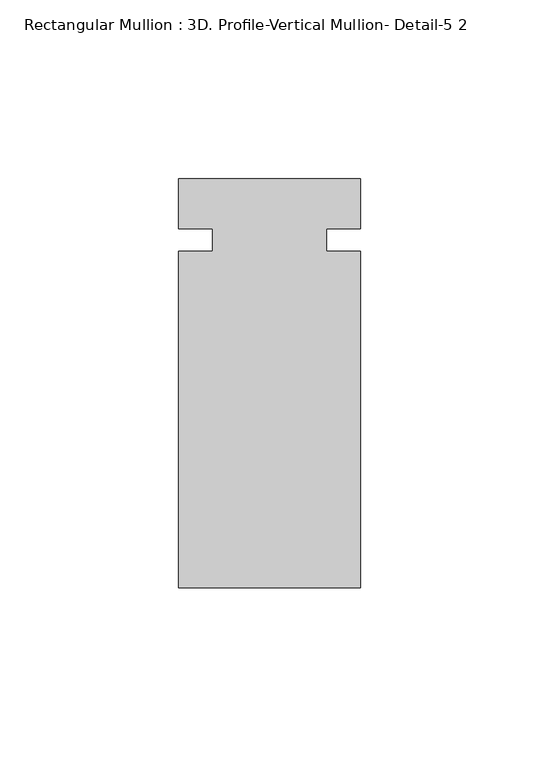
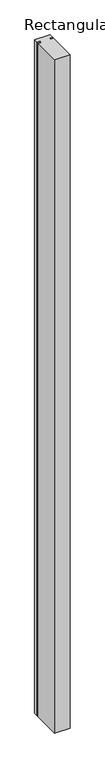
"""IFC4 building model written with IfcOpenShell, lengths in millimetres: member geometry, Rectangular Mullion : 3D. Profile-Vertical Mullion- Detail-5 2."""

import ifcopenshell
import ifcopenshell.guid

model = None  # the IFC model being written
_history = None  # IfcOwnerHistory: only IFC2X3 demands one
_inside = {}  # id of a spatial element -> (the spatial element, [elements in it])
_under = {}  # id of a project, library or spatial element -> (it, [spatial elements below it])
_declared = {}  # id of a project -> (the project, [libraries it declares])
_typed = {}  # id of a type object -> (the type object, [elements of that type])
_made_of = {}  # id of a material, layer set ... -> (it, [elements and type objects made of it])


def new_model(schema):
    """Start an empty IFC model of exactly this schema.

    Asked for "IFC4X3", IfcOpenShell would pick the latest addendum, in which some entities
    have other attributes; the version numbers below select the first issue.
    IFC2X3 requires an IfcOwnerHistory on every rooted entity: one is made here for all.
    """
    global model, _history
    if schema == "IFC4X3":
        model = ifcopenshell.file(schema_version=(4, 3, 0, 0))
    else:
        model = ifcopenshell.file(schema=schema)
    _inside.clear()
    _under.clear()
    _declared.clear()
    _typed.clear()
    _made_of.clear()
    _history = None
    if model.schema == "IFC2X3":
        org = make("IfcOrganization", Name="unknown")
        user = make(
            "IfcPersonAndOrganization",
            ThePerson=make("IfcPerson", FamilyName="unknown"),
            TheOrganization=org,
        )
        app = make(
            "IfcApplication",
            ApplicationDeveloper=org,
            Version="unknown",
            ApplicationFullName="unknown",
            ApplicationIdentifier="unknown",
        )
        _history = make(
            "IfcOwnerHistory",
            OwningUser=user,
            OwningApplication=app,
            ChangeAction="ADDED",
            CreationDate=0,
        )
    return model


def make(cls, **values):
    """One entity of the class cls with the attributes given. An attribute that is None is left unset."""
    return model.create_entity(
        cls, **{name: value for name, value in values.items() if value is not None}
    )


def rooted(cls, **values):
    """An entity with a GlobalId (a new one), such as an element, a storey or a relation."""
    return make(cls, GlobalId=ifcopenshell.guid.new(), OwnerHistory=_history, **values)


def si_unit(unit_type, name, prefix=None):
    """IfcSIUnit, for example si_unit("LENGTHUNIT", "METRE", prefix="MILLI")."""
    return make("IfcSIUnit", UnitType=unit_type, Prefix=prefix, Name=name)


def assignment(units):
    """IfcUnitAssignment: the units of a project."""
    return None if units is None else make("IfcUnitAssignment", Units=units)


def point(xyz):
    """IfcCartesianPoint."""
    return None if xyz is None else make("IfcCartesianPoint", Coordinates=xyz)


def direction(xyz):
    """IfcDirection."""
    return None if xyz is None else make("IfcDirection", DirectionRatios=xyz)


def frame(location, z_axis=None, x_axis=None):
    """IfcAxis2Placement3D, a coordinate frame: its origin and axes. An axis left out is left unset."""
    return make(
        "IfcAxis2Placement3D",
        Location=point(location),
        Axis=direction(z_axis),
        RefDirection=direction(x_axis),
    )


def origin():
    """The frame at (0, 0, 0) with its axes left unset."""
    return frame((0.0, 0.0, 0.0))


def place(relative_to, where):
    """IfcLocalPlacement: puts the frame where relative to a parent placement (None: the world)."""
    return make(
        "IfcLocalPlacement", PlacementRelTo=relative_to, RelativePlacement=where
    )


def context(
    kind, dimensions, precision=None, world=None, true_north=None, identifier=None
):
    """IfcGeometricRepresentationContext, for example the 3D "Model" context."""
    return make(
        "IfcGeometricRepresentationContext",
        ContextIdentifier=identifier,
        ContextType=kind,
        CoordinateSpaceDimension=dimensions,
        Precision=precision,
        WorldCoordinateSystem=world,
        TrueNorth=true_north,
    )


def project(units=None, contexts=None):
    """IfcProject with its units and contexts."""
    return rooted(
        "IfcProject",
        Name="project",
        RepresentationContexts=contexts,
        UnitsInContext=assignment(units),
    )


def spatial(cls, under=None, at=None, **own):
    """A site, building, storey or space (cls), placed at a placement, below another one or the project."""
    s = rooted(cls, ObjectPlacement=at, **own)
    if under is not None:
        _under.setdefault(under.id(), (under, []))[1].append(s)
    return s


def polyline(points):
    """IfcPolyline through the points."""
    return make("IfcPolyline", Points=[point(p) for p in points])


def outline(outer, holes=None, kind="AREA"):
    """IfcArbitraryClosedProfileDef: a profile drawn as a closed curve; with holes, ...WithVoids."""
    if holes is None:
        return make("IfcArbitraryClosedProfileDef", ProfileType=kind, OuterCurve=outer)
    return make(
        "IfcArbitraryProfileDefWithVoids",
        ProfileType=kind,
        OuterCurve=outer,
        InnerCurves=holes,
    )


def extrude(swept, where, along, depth):
    """IfcExtrudedAreaSolid: the profile swept, set in the frame where, extruded along a direction by depth."""
    return make(
        "IfcExtrudedAreaSolid",
        SweptArea=swept,
        Position=where,
        ExtrudedDirection=direction(along),
        Depth=depth,
    )


def shape(context_of_items, identifier, shape_type, items):
    """IfcShapeRepresentation: the items that make up one representation, for example the "Body"."""
    return make(
        "IfcShapeRepresentation",
        ContextOfItems=context_of_items,
        RepresentationIdentifier=identifier,
        RepresentationType=shape_type,
        Items=items,
    )


def source(mapping_origin, context_of_items, identifier, shape_type, items):
    """IfcRepresentationMap: a shape defined once, which mapped items show again and again."""
    return make(
        "IfcRepresentationMap",
        MappingOrigin=mapping_origin,
        MappedRepresentation=shape(context_of_items, identifier, shape_type, items),
    )


def transform(
    local_origin,
    x_axis=None,
    y_axis=None,
    z_axis=None,
    scale=None,
    scale2=None,
    scale3=None,
    uniform=True,
):
    """IfcCartesianTransformationOperator3D, or its non-uniform kind. x_axis, y_axis, z_axis: its Axis1, 2, 3."""
    if uniform:
        return make(
            "IfcCartesianTransformationOperator3D",
            Axis1=direction(x_axis),
            Axis2=direction(y_axis),
            LocalOrigin=point(local_origin),
            Scale=scale,
            Axis3=direction(z_axis),
        )
    return make(
        "IfcCartesianTransformationOperator3DnonUniform",
        Axis1=direction(x_axis),
        Axis2=direction(y_axis),
        LocalOrigin=point(local_origin),
        Scale=scale,
        Axis3=direction(z_axis),
        Scale2=scale2,
        Scale3=scale3,
    )


def mapped(mapping_source, mapping_target):
    """IfcMappedItem: shows the shape of a source again, moved by a transform."""
    return make(
        "IfcMappedItem", MappingSource=mapping_source, MappingTarget=mapping_target
    )


def made_of(thing, what):
    """Note that an element or type object is made of a material, layer set ...; save() writes the relation."""
    if what is not None:
        _made_of.setdefault(what.id(), (what, []))[1].append(thing)
    return thing


def element(
    cls,
    number,
    at=None,
    inside=None,
    cuts=None,
    type_object=None,
    material=None,
    context=None,
    identifier="Body",
    shape_type=None,
    held_by="IfcProductDefinitionShape",
    body=None,
    shapes=None,
    **own,
):
    """One element of the class cls, such as IfcWall. Its Tag is "e" and its number.

    at: its placement. inside: the storey or other place that contains it. cuts: it is an
    opening in that element (IfcRelVoidsElement). A single representation is given by context,
    identifier, shape_type and body (its items); several are given by shapes. held_by: the class
    of the entity that holds the representations. save() writes the other relations.
    """
    e = rooted(cls, Tag="e%d" % number, ObjectPlacement=at, **own)
    if body is not None:
        shapes = [shape(context, identifier, shape_type, body)]
    if shapes is not None:
        e.Representation = make(held_by, Representations=shapes)
    if inside is not None:
        _inside.setdefault(inside.id(), (inside, []))[1].append(e)
    if cuts is not None:
        rooted(
            "IfcRelVoidsElement", RelatingBuildingElement=cuts, RelatedOpeningElement=e
        )
    if type_object is not None:
        _typed.setdefault(type_object.id(), (type_object, []))[1].append(e)
    return made_of(e, material)


def aggregate(whole, parts):
    """IfcRelAggregates: a whole, such as a stair, and the parts it consists of."""
    return rooted("IfcRelAggregates", RelatingObject=whole, RelatedObjects=parts)


def save(model, path):
    """Write the relations noted so far, then the file.

    IfcRelAggregates (storeys below a building ...), IfcRelContainedInSpatialStructure (elements
    in a storey), IfcRelDefinesByType, IfcRelAssociatesMaterial and IfcRelDeclares: one each for
    every whole, place, type object, material and project.
    """
    for whole, parts in _under.values():
        aggregate(whole, parts)
    for where, things in _inside.values():
        rooted(
            "IfcRelContainedInSpatialStructure",
            RelatedElements=things,
            RelatingStructure=where,
        )
    for kind, things in _typed.values():
        rooted("IfcRelDefinesByType", RelatedObjects=things, RelatingType=kind)
    for what, things in _made_of.values():
        rooted("IfcRelAssociatesMaterial", RelatedObjects=things, RelatingMaterial=what)
    for by, libraries in _declared.values():
        rooted("IfcRelDeclares", RelatingContext=by, RelatedDefinitions=libraries)
    model.write(path)


def rectangular_mullion_3d_profile_vertical_mullion_detail_5_2_2f8c1087(model_context):
    return source(origin(), model_context, "Body", "SweptSolid", [
        extrude(outline(polyline([(25.4, 57.8548429), (25.4, 43.9435946), (15.97025, 43.9435946), (15.97025, 37.5935946), (25.4, 37.5935946), (25.4, -56.4451571), (-25.4, -56.4451571), (-25.4, 37.5935946), (-15.97025, 37.5935946), (-15.97025, 43.9435946), (-25.4, 43.9435946), (-25.4, 57.8548429), (25.4, 57.8548429)])), frame((0.0, 0.0, -2362.2), z_axis=(0.0, 0.0, 1.0), x_axis=(1.0, 0.0, 0.0)), (0.0, 0.0, 1.0), 2362.2),
    ])


if __name__ == "__main__":
    model = new_model("IFC4")
    model_context = context("Model", 3, world=origin())
    ifc_project = project(units=[si_unit("LENGTHUNIT", "METRE", prefix="MILLI")], contexts=[model_context])
    site = spatial("IfcSite", under=ifc_project)
    building = spatial("IfcBuilding", under=site)
    placement = place(None, origin())
    rectangular_mullion_3d_profile_vertical_mullion_detail_5_2_shape = rectangular_mullion_3d_profile_vertical_mullion_detail_5_2_2f8c1087(model_context)
    element("IfcMember", 1, ObjectType="Rectangular Mullion : 3D. Profile-Vertical Mullion- Detail-5 2", at=placement, inside=building, context=model_context, shape_type="MappedRepresentation", body=[
        mapped(rectangular_mullion_3d_profile_vertical_mullion_detail_5_2_shape, transform((0.0, 0.0, 0.0), x_axis=(1.0, 0.0, 0.0), y_axis=(0.0, 1.0, 0.0), z_axis=(0.0, 0.0, 1.0))),
    ])
    save(model, "model.ifc")
